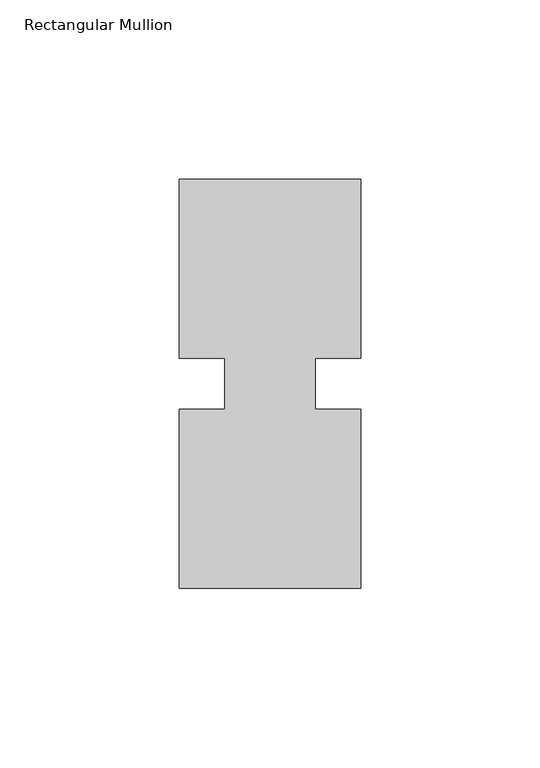
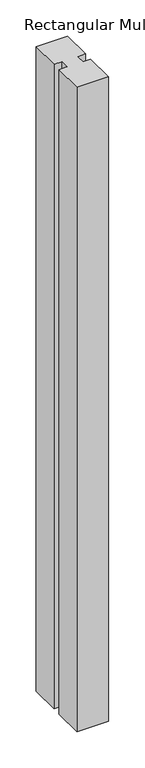
"""IFC4 building model written with IfcOpenShell, lengths in millimetres: member geometry, Rectangular Mullion."""

from ifc_helpers import new_model, si_unit, frame, origin, place, context, project, spatial, polyline, outline, extrude, source, transform, mapped, element, save


def rectangular_mullion_740ff846(model_context):
    return source(origin(), model_context, "Body", "SweptSolid", [
        extrude(outline(polyline([(29.7344027, 57.15), (29.7344027, 7.14375), (17.0326322, 7.14375), (17.0326322, -7.14375), (29.7344027, -7.14375), (29.7344027, -57.15), (-21.0655973, -57.15), (-21.0655973, -7.14375), (-8.3655973, -7.14375), (-8.3655973, 7.14375), (-21.0655973, 7.14375), (-21.0655973, 57.15), (29.7344027, 57.15)])), frame((0.0, 0.0, -1091.0405973), z_axis=(0.0, 0.0, 1.0), x_axis=(1.0, 0.0, 0.0)), (0.0, 0.0, 1.0), 1091.0405973),
    ])


if __name__ == "__main__":
    model = new_model("IFC4")
    model_context = context("Model", 3, world=origin())
    ifc_project = project(units=[si_unit("LENGTHUNIT", "METRE", prefix="MILLI")], contexts=[model_context])
    site = spatial("IfcSite", under=ifc_project)
    building = spatial("IfcBuilding", under=site)
    placement = place(None, origin())
    rectangular_mullion_shape = rectangular_mullion_740ff846(model_context)
    element("IfcMember", 1, ObjectType="Rectangular Mullion", at=placement, inside=building, context=model_context, shape_type="MappedRepresentation", body=[
        mapped(rectangular_mullion_shape, transform((0.0, 0.0, 0.0), x_axis=(1.0, 0.0, 0.0), y_axis=(0.0, 1.0, 0.0), z_axis=(0.0, 0.0, 1.0))),
    ])
    save(model, "model.ifc")
